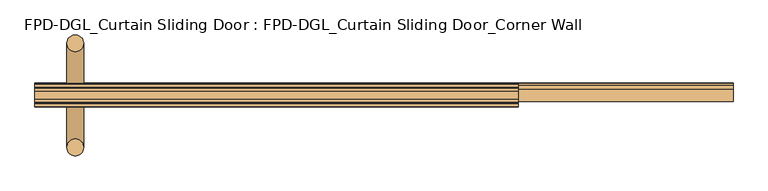
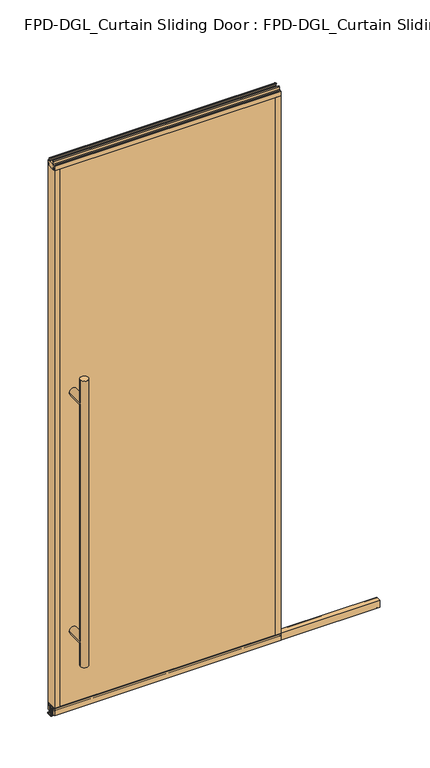
"""IFC4 building model written with IfcOpenShell, lengths in millimetres: door geometry, FPD-DGL_Curtain Sliding Door : FPD-DGL_Curtain Sliding Door_Corner Wall."""

import ifcopenshell
import ifcopenshell.guid

model = None  # the IFC model being written
_history = None  # IfcOwnerHistory: only IFC2X3 demands one
_inside = {}  # id of a spatial element -> (the spatial element, [elements in it])
_under = {}  # id of a project, library or spatial element -> (it, [spatial elements below it])
_declared = {}  # id of a project -> (the project, [libraries it declares])
_typed = {}  # id of a type object -> (the type object, [elements of that type])
_made_of = {}  # id of a material, layer set ... -> (it, [elements and type objects made of it])


def new_model(schema):
    """Start an empty IFC model of exactly this schema.

    Asked for "IFC4X3", IfcOpenShell would pick the latest addendum, in which some entities
    have other attributes; the version numbers below select the first issue.
    IFC2X3 requires an IfcOwnerHistory on every rooted entity: one is made here for all.
    """
    global model, _history
    if schema == "IFC4X3":
        model = ifcopenshell.file(schema_version=(4, 3, 0, 0))
    else:
        model = ifcopenshell.file(schema=schema)
    _inside.clear()
    _under.clear()
    _declared.clear()
    _typed.clear()
    _made_of.clear()
    _history = None
    if model.schema == "IFC2X3":
        org = make("IfcOrganization", Name="unknown")
        user = make(
            "IfcPersonAndOrganization",
            ThePerson=make("IfcPerson", FamilyName="unknown"),
            TheOrganization=org,
        )
        app = make(
            "IfcApplication",
            ApplicationDeveloper=org,
            Version="unknown",
            ApplicationFullName="unknown",
            ApplicationIdentifier="unknown",
        )
        _history = make(
            "IfcOwnerHistory",
            OwningUser=user,
            OwningApplication=app,
            ChangeAction="ADDED",
            CreationDate=0,
        )
    return model


def make(cls, **values):
    """One entity of the class cls with the attributes given. An attribute that is None is left unset."""
    return model.create_entity(
        cls, **{name: value for name, value in values.items() if value is not None}
    )


def rooted(cls, **values):
    """An entity with a GlobalId (a new one), such as an element, a storey or a relation."""
    return make(cls, GlobalId=ifcopenshell.guid.new(), OwnerHistory=_history, **values)


def si_unit(unit_type, name, prefix=None):
    """IfcSIUnit, for example si_unit("LENGTHUNIT", "METRE", prefix="MILLI")."""
    return make("IfcSIUnit", UnitType=unit_type, Prefix=prefix, Name=name)


def assignment(units):
    """IfcUnitAssignment: the units of a project."""
    return None if units is None else make("IfcUnitAssignment", Units=units)


def point(xyz):
    """IfcCartesianPoint."""
    return None if xyz is None else make("IfcCartesianPoint", Coordinates=xyz)


def direction(xyz):
    """IfcDirection."""
    return None if xyz is None else make("IfcDirection", DirectionRatios=xyz)


def frame(location, z_axis=None, x_axis=None):
    """IfcAxis2Placement3D, a coordinate frame: its origin and axes. An axis left out is left unset."""
    return make(
        "IfcAxis2Placement3D",
        Location=point(location),
        Axis=direction(z_axis),
        RefDirection=direction(x_axis),
    )


def frame_2d(location, x_axis=None):
    """IfcAxis2Placement2D, a coordinate frame in the plane: its origin and x axis."""
    return make(
        "IfcAxis2Placement2D", Location=point(location), RefDirection=direction(x_axis)
    )


def origin():
    """The frame at (0, 0, 0) with its axes left unset."""
    return frame((0.0, 0.0, 0.0))


def place(relative_to, where):
    """IfcLocalPlacement: puts the frame where relative to a parent placement (None: the world)."""
    return make(
        "IfcLocalPlacement", PlacementRelTo=relative_to, RelativePlacement=where
    )


def context(
    kind, dimensions, precision=None, world=None, true_north=None, identifier=None
):
    """IfcGeometricRepresentationContext, for example the 3D "Model" context."""
    return make(
        "IfcGeometricRepresentationContext",
        ContextIdentifier=identifier,
        ContextType=kind,
        CoordinateSpaceDimension=dimensions,
        Precision=precision,
        WorldCoordinateSystem=world,
        TrueNorth=true_north,
    )


def project(units=None, contexts=None):
    """IfcProject with its units and contexts."""
    return rooted(
        "IfcProject",
        Name="project",
        RepresentationContexts=contexts,
        UnitsInContext=assignment(units),
    )


def spatial(cls, under=None, at=None, **own):
    """A site, building, storey or space (cls), placed at a placement, below another one or the project."""
    s = rooted(cls, ObjectPlacement=at, **own)
    if under is not None:
        _under.setdefault(under.id(), (under, []))[1].append(s)
    return s


def polyline(points):
    """IfcPolyline through the points."""
    return make("IfcPolyline", Points=[point(p) for p in points])


def circle_curve(where, radius):
    """IfcCircle in the frame where."""
    return make("IfcCircle", Position=where, Radius=radius)


def ellipse_curve(where, semi_axis1, semi_axis2):
    """IfcEllipse in the frame where."""
    return make(
        "IfcEllipse", Position=where, SemiAxis1=semi_axis1, SemiAxis2=semi_axis2
    )


def trimmed(basis, trim1, trim2, sense, master):
    """IfcTrimmedCurve: the piece of a basis curve between two trims."""
    return make(
        "IfcTrimmedCurve",
        BasisCurve=basis,
        Trim1=trim1,
        Trim2=trim2,
        SenseAgreement=sense,
        MasterRepresentation=master,
    )


def segment(curve, same_sense, transition):
    """IfcCompositeCurveSegment."""
    return make(
        "IfcCompositeCurveSegment",
        Transition=transition,
        SameSense=same_sense,
        ParentCurve=curve,
    )


def composite_curve(segments, self_intersect=None):
    """IfcCompositeCurve: segments joined end to end."""
    return make("IfcCompositeCurve", Segments=segments, SelfIntersect=self_intersect)


def outline(outer, holes=None, kind="AREA"):
    """IfcArbitraryClosedProfileDef: a profile drawn as a closed curve; with holes, ...WithVoids."""
    if holes is None:
        return make("IfcArbitraryClosedProfileDef", ProfileType=kind, OuterCurve=outer)
    return make(
        "IfcArbitraryProfileDefWithVoids",
        ProfileType=kind,
        OuterCurve=outer,
        InnerCurves=holes,
    )


def extrude(swept, where, along, depth):
    """IfcExtrudedAreaSolid: the profile swept, set in the frame where, extruded along a direction by depth."""
    return make(
        "IfcExtrudedAreaSolid",
        SweptArea=swept,
        Position=where,
        ExtrudedDirection=direction(along),
        Depth=depth,
    )


def shape(context_of_items, identifier, shape_type, items):
    """IfcShapeRepresentation: the items that make up one representation, for example the "Body"."""
    return make(
        "IfcShapeRepresentation",
        ContextOfItems=context_of_items,
        RepresentationIdentifier=identifier,
        RepresentationType=shape_type,
        Items=items,
    )


def source(mapping_origin, context_of_items, identifier, shape_type, items):
    """IfcRepresentationMap: a shape defined once, which mapped items show again and again."""
    return make(
        "IfcRepresentationMap",
        MappingOrigin=mapping_origin,
        MappedRepresentation=shape(context_of_items, identifier, shape_type, items),
    )


def transform(
    local_origin,
    x_axis=None,
    y_axis=None,
    z_axis=None,
    scale=None,
    scale2=None,
    scale3=None,
    uniform=True,
):
    """IfcCartesianTransformationOperator3D, or its non-uniform kind. x_axis, y_axis, z_axis: its Axis1, 2, 3."""
    if uniform:
        return make(
            "IfcCartesianTransformationOperator3D",
            Axis1=direction(x_axis),
            Axis2=direction(y_axis),
            LocalOrigin=point(local_origin),
            Scale=scale,
            Axis3=direction(z_axis),
        )
    return make(
        "IfcCartesianTransformationOperator3DnonUniform",
        Axis1=direction(x_axis),
        Axis2=direction(y_axis),
        LocalOrigin=point(local_origin),
        Scale=scale,
        Axis3=direction(z_axis),
        Scale2=scale2,
        Scale3=scale3,
    )


def mapped(mapping_source, mapping_target):
    """IfcMappedItem: shows the shape of a source again, moved by a transform."""
    return make(
        "IfcMappedItem", MappingSource=mapping_source, MappingTarget=mapping_target
    )


def made_of(thing, what):
    """Note that an element or type object is made of a material, layer set ...; save() writes the relation."""
    if what is not None:
        _made_of.setdefault(what.id(), (what, []))[1].append(thing)
    return thing


def element(
    cls,
    number,
    at=None,
    inside=None,
    cuts=None,
    type_object=None,
    material=None,
    context=None,
    identifier="Body",
    shape_type=None,
    held_by="IfcProductDefinitionShape",
    body=None,
    shapes=None,
    **own,
):
    """One element of the class cls, such as IfcWall. Its Tag is "e" and its number.

    at: its placement. inside: the storey or other place that contains it. cuts: it is an
    opening in that element (IfcRelVoidsElement). A single representation is given by context,
    identifier, shape_type and body (its items); several are given by shapes. held_by: the class
    of the entity that holds the representations. save() writes the other relations.
    """
    e = rooted(cls, Tag="e%d" % number, ObjectPlacement=at, **own)
    if body is not None:
        shapes = [shape(context, identifier, shape_type, body)]
    if shapes is not None:
        e.Representation = make(held_by, Representations=shapes)
    if inside is not None:
        _inside.setdefault(inside.id(), (inside, []))[1].append(e)
    if cuts is not None:
        rooted(
            "IfcRelVoidsElement", RelatingBuildingElement=cuts, RelatedOpeningElement=e
        )
    if type_object is not None:
        _typed.setdefault(type_object.id(), (type_object, []))[1].append(e)
    return made_of(e, material)


def aggregate(whole, parts):
    """IfcRelAggregates: a whole, such as a stair, and the parts it consists of."""
    return rooted("IfcRelAggregates", RelatingObject=whole, RelatedObjects=parts)


def save(model, path):
    """Write the relations noted so far, then the file.

    IfcRelAggregates (storeys below a building ...), IfcRelContainedInSpatialStructure (elements
    in a storey), IfcRelDefinesByType, IfcRelAssociatesMaterial and IfcRelDeclares: one each for
    every whole, place, type object, material and project.
    """
    for whole, parts in _under.values():
        aggregate(whole, parts)
    for where, things in _inside.values():
        rooted(
            "IfcRelContainedInSpatialStructure",
            RelatedElements=things,
            RelatingStructure=where,
        )
    for kind, things in _typed.values():
        rooted("IfcRelDefinesByType", RelatedObjects=things, RelatingType=kind)
    for what, things in _made_of.values():
        rooted("IfcRelAssociatesMaterial", RelatedObjects=things, RelatingMaterial=what)
    for by, libraries in _declared.values():
        rooted("IfcRelDeclares", RelatingContext=by, RelatedDefinitions=libraries)
    model.write(path)


def plane_surface(at):
    """IfcPlane: the flat surface through the origin of the frame at, square to its z axis."""
    return make("IfcPlane", Position=at)


def cylinder_surface(at, radius):
    """IfcCylindricalSurface: all points at the distance radius from the z axis of the frame at."""
    return make("IfcCylindricalSurface", Position=at, Radius=radius)


def advanced_brep(points, edges, surfaces, faces):
    """IfcAdvancedBrep: a solid bounded by faces that lie on surfaces and meet in shared edges.

    An edge is (start, end): straight between two places in points (the first is 0);
    or (start, end, curve); or (start, end, curve, False) where it runs against its curve.
    A face is (place in surfaces, loops), or (place, loops, False) where it looks against
    its surface's normal. A loop lists edges by number (the first is 1), with a minus sign
    where the edge is run from its end to its start. The first loop is the outer one.
    """
    corners = [point(p) for p in points]
    vertices = [make("IfcVertexPoint", VertexGeometry=c) for c in corners]
    made = []
    for start, end, *more in edges:
        made.append(
            make(
                "IfcEdgeCurve",
                EdgeStart=vertices[start],
                EdgeEnd=vertices[end],
                EdgeGeometry=more[0] if more else make("IfcPolyline", Points=[corners[start], corners[end]]),
                SameSense=more[1] if len(more) > 1 else True,
            )
        )
    hull = []
    for where, loops, *sense in faces:
        bounds = []
        for j, loop in enumerate(loops):
            ring = [make("IfcOrientedEdge", EdgeElement=made[abs(k) - 1], Orientation=k > 0) for k in loop]
            bounds.append(
                make(
                    "IfcFaceOuterBound" if j == 0 else "IfcFaceBound",
                    Bound=make("IfcEdgeLoop", EdgeList=ring),
                    Orientation=True,
                )
            )
        hull.append(make("IfcAdvancedFace", Bounds=bounds, FaceSurface=surfaces[where], SameSense=sense[0] if sense else True))
    return make("IfcAdvancedBrep", Outer=make("IfcClosedShell", CfsFaces=hull))


def fpd_dgl_curtain_sliding_door_fpd_dgl_curtain_sliding_door_6695d45b(model_context):
    return source(origin(), model_context, "Body", "SolidModel", [
        advanced_brep(
        [(-364.33125, 28.778049, 1473.2), (-396.08125, 28.778049, 1473.2), (-364.33125, -168.4469566, 1473.2), (-396.08125, -168.4469566, 1473.2), (-364.33125, 28.778049, 254.0), (-396.08125, 28.778049, 254.0), (-364.33125, -168.4469566, 254.0), (-396.08125, -168.4469566, 254.0), (-364.33125, 28.778049, 355.6), (-396.08125, 28.778049, 355.6), (-364.33125, 28.778049, 1371.6), (-396.08125, 28.778049, 1371.6), (-396.08125, -168.4469566, 1371.6), (-396.08125, -168.4469566, 355.6), (-364.33125, -168.4469566, 355.6), (-364.33125, -168.4469566, 1371.6)],
        [
            (0, 1, circle_curve(frame((-380.20625, 28.778049, 1473.2), z_axis=(0.0, 0.0, 1.0), x_axis=(-1.0, 0.0, 0.0)), 15.875)),
            (1, 0, circle_curve(frame((-380.20625, 28.778049, 1473.2), z_axis=(0.0, 0.0, 1.0), x_axis=(-1.0, 0.0, 0.0)), 15.875)),
            (2, 3, circle_curve(frame((-380.20625, -168.4469566, 1473.2), z_axis=(0.0, 0.0, 1.0), x_axis=(-1.0, 0.0, 0.0)), 15.875)),
            (3, 2, circle_curve(frame((-380.20625, -168.4469566, 1473.2), z_axis=(0.0, 0.0, 1.0), x_axis=(-1.0, 0.0, 0.0)), 15.875)),
            (4, 5, circle_curve(frame((-380.20625, 28.778049, 254.0), z_axis=(0.0, 0.0, -1.0), x_axis=(-1.0, 0.0, 0.0)), 15.875)),
            (5, 4, circle_curve(frame((-380.20625, 28.778049, 254.0), z_axis=(0.0, 0.0, -1.0), x_axis=(-1.0, 0.0, 0.0)), 15.875)),
            (6, 7, circle_curve(frame((-380.20625, -168.4469566, 254.0), z_axis=(0.0, 0.0, -1.0), x_axis=(-1.0, 0.0, 0.0)), 15.875)),
            (7, 6, circle_curve(frame((-380.20625, -168.4469566, 254.0), z_axis=(0.0, 0.0, -1.0), x_axis=(-1.0, 0.0, 0.0)), 15.875)),
            (4, 8),
            (8, 9, ellipse_curve(frame((-380.20625, 28.778049, 355.6), z_axis=(0.0, 0.7071067811865525, -0.7071067811865427), x_axis=(0.0, 0.7071067811865427, 0.7071067811865523)), 22.4506403, 15.875)),
            (9, 5),
            (10, 11, ellipse_curve(frame((-380.20625, 28.778049, 1371.6), z_axis=(0.0, 0.7071067811865427, -0.7071067811865525), x_axis=(0.0, 0.7071067811865525, 0.7071067811865425)), 22.4506403, 15.875)),
            (11, 9),
            (9, 8, ellipse_curve(frame((-380.20625, 28.778049, 355.6), z_axis=(0.0, 0.7071067811865427, 0.7071067811865525), x_axis=(0.0, -0.7071067811865525, 0.7071067811865425)), 22.4506403, 15.875)),
            (8, 10),
            (1, 11),
            (11, 10, ellipse_curve(frame((-380.20625, 28.778049, 1371.6), z_axis=(0.0, 0.7071067811865525, 0.7071067811865427), x_axis=(0.0, -0.7071067811865427, 0.7071067811865523)), 22.4506403, 15.875)),
            (10, 0),
            (3, 12),
            (12, 13),
            (13, 7),
            (6, 14),
            (14, 15),
            (15, 2),
            (15, 12, ellipse_curve(frame((-380.20625, -168.4469566, 1371.6), z_axis=(0.0, -0.7071067811865427, 0.7071067811865525), x_axis=(0.0, 0.7071067811865525, 0.7071067811865425)), 22.4506403, 15.875)),
            (13, 14, ellipse_curve(frame((-380.20625, -168.4469566, 355.6), z_axis=(0.0, -0.7071067811865427, -0.7071067811865525), x_axis=(0.0, -0.7071067811865525, 0.7071067811865425)), 22.4506403, 15.875)),
            (14, 13, ellipse_curve(frame((-380.20625, -168.4469566, 355.6), z_axis=(0.0, -0.7071067811865525, 0.7071067811865427), x_axis=(0.0, 0.7071067811865427, 0.7071067811865523)), 22.4506403, 15.875)),
            (12, 15, ellipse_curve(frame((-380.20625, -168.4469566, 1371.6), z_axis=(0.0, -0.7071067811865525, -0.7071067811865427), x_axis=(0.0, -0.7071067811865427, 0.7071067811865523)), 22.4506403, 15.875)),
            (10, 15),
            (12, 11),
            (8, 14),
            (13, 9),
        ],
        [
            plane_surface(frame((-281.0988493, -69.85, 1473.2), z_axis=(0.0, 0.0, 1.0), x_axis=(0.0, 1.0, 0.0))),
            plane_surface(frame((-281.0988493, -69.85, 254.0), z_axis=(0.0, 0.0, -1.0), x_axis=(0.0, 1.0, 0.0))),
            cylinder_surface(frame((-380.20625, 28.778049, 1473.2), z_axis=(0.0, 0.0, 1.0), x_axis=(-1.0, 0.0, 0.0)), 15.875),
            cylinder_surface(frame((-380.20625, -168.4469566, 1473.2), z_axis=(0.0, 0.0, 1.0), x_axis=(-1.0, 0.0, 0.0)), 15.875),
            cylinder_surface(frame((-380.20625, -168.4469566, 1371.6), z_axis=(0.0, 1.0, 0.0), x_axis=(1.0, 0.0, 0.0)), 15.875),
            cylinder_surface(frame((-380.20625, -69.85, 355.6), z_axis=(0.0, 1.0, 0.0), x_axis=(1.0, 0.0, 0.0)), 15.875),
        ],
        [
            (0, [[1, 2]]),
            (0, [[3, 4]]),
            (1, [[5, 6]]),
            (1, [[7, 8]]),
            (2, [[9, 10, 11, -5]]),
            (2, [[12, 13, 14, 15]]),
            (2, [[16, 17, 18, -2]]),
            (2, [[-18, -15, -9, -6, -11, -13, -16, -1]]),
            (3, [[19, 20, 21, -7, 22, 23, 24, -4]]),
            (3, [[-24, 25, -19, -3]]),
            (3, [[-21, 26, -22, -8]]),
            (3, [[27, -20, 28, -23]]),
            (4, [[-12, 29, -28, 30]]),
            (4, [[-25, -29, -17, -30]]),
            (5, [[-10, 31, -26, 32]]),
            (5, [[-27, -31, -14, -32]]),
        ],
    ),
        extrude(outline(composite_curve([segment(polyline([(-66.0369794, 1.1714386), (-66.0369794, 4.0416386)]), True, "CONTINUOUS"), segment(trimmed(circle_curve(frame_2d((-64.8685794, 4.0416386)), 1.1684), [point((-66.0369794, 4.0416386))], [point((-65.2836188, 5.1338386))], False, "CARTESIAN"), True, "CONTINUOUS"), segment(polyline([(-65.2836188, 5.1338386), (-62.5762294, 5.1338386), (-62.5762294, 4.3138948), (-65.2622794, 4.3138948), (-65.2622794, 0.7650387), (-46.7837797, 0.7650387), (-46.7837797, 4.4232339), (-49.7788569, 4.4232339), (-49.7788569, 5.2100386), (-47.1901797, 5.2100386)]), True, "CONTINUOUS"), segment(trimmed(circle_curve(frame_2d((-47.1901797, 4.0416386)), 1.1684), [point((-47.1901797, 5.2100386))], [point((-46.0217797, 4.0416386))], False, "CARTESIAN"), True, "CONTINUOUS"), segment(polyline([(-46.0217797, 4.0416386), (-46.0217797, 1.1714386)]), True, "CONTINUOUS"), segment(trimmed(circle_curve(frame_2d((-47.1901797, 1.1714386)), 1.1684), [point((-46.0217797, 1.1714386))], [point((-47.1901797, 0.0030387))], False, "CARTESIAN"), True, "CONTINUOUS"), segment(polyline([(-47.1901797, 0.0030387), (-64.8685794, 0.0030387)]), True, "CONTINUOUS"), segment(trimmed(circle_curve(frame_2d((-64.8685794, 1.1714386)), 1.1684), [point((-64.8685794, 0.0030387))], [point((-66.0369794, 1.1714386))], False, "CARTESIAN"), True, "CONTINUOUS")], self_intersect=False)), frame((-456.40625, 0.0, 0.0), z_axis=(1.0, 0.0, 0.0), x_axis=(0.0, 1.0, 0.0)), (0.0, 0.0, 1.0), 1319.2125),
        extrude(outline(composite_curve([segment(polyline([(-80.8146139, 41.6030387), (-58.9146141, 41.6030387), (-58.9146141, 11.6839647), (-60.414702, 11.6839647), (-60.414702, 39.1709995)]), True, "CONTINUOUS"), segment(trimmed(circle_curve(frame_2d((-61.3469627, 39.1709995)), 0.9322606), [point((-60.414702, 39.1709995))], [point((-61.3469627, 40.1032601))], True, "CARTESIAN"), True, "CONTINUOUS"), segment(polyline([(-61.3469627, 40.1032601), (-66.4357402, 40.1032601)]), True, "CONTINUOUS"), segment(trimmed(circle_curve(frame_2d((-66.4357402, 39.1243868)), 0.9788733), [point((-66.4357402, 40.1032601))], [point((-67.4146135, 39.1243868))], True, "CARTESIAN"), True, "CONTINUOUS"), segment(polyline([(-67.4146135, 39.1243868), (-67.4146135, 11.6839647), (-69.0146138, 11.6839647), (-69.0146138, 33.5017657), (-70.4044462, 33.5017657), (-70.4044462, 34.3040626), (-69.0146138, 34.3040626), (-69.0146138, 35.6040627), (-79.8146139, 35.6040627), (-79.8146139, 34.3040626), (-78.4247815, 34.3040626), (-78.4247815, 33.5017657), (-79.8146139, 33.5017657), (-79.8146139, 11.6839647), (-80.8146139, 11.6839647), (-80.8146139, 41.6030387)]), True, "CONTINUOUS")], self_intersect=False)), frame((-456.40625, 0.0, 0.0), z_axis=(1.0, 0.0, 0.0), x_axis=(0.0, 1.0, 0.0)), (0.0, 0.0, 1.0), 1319.2125),
        extrude(outline(composite_curve([segment(polyline([(-55.5258097, 48.6471016), (-55.5258097, 47.6299627), (-56.8928229, 47.6299627), (-56.8928229, 41.3613764)]), True, "CONTINUOUS"), segment(trimmed(circle_curve(frame_2d((-54.577348, 41.3613764)), 2.3154748), [point((-56.8928229, 41.3613764))], [point((-54.577348, 39.0459016))], True, "CARTESIAN"), True, "CONTINUOUS"), segment(polyline([(-54.577348, 39.0459016), (-49.5896246, 39.0522555)]), True, "CONTINUOUS"), segment(trimmed(circle_curve(frame_2d((-49.687823, 39.8079016)), 0.762), [point((-49.5896246, 39.0522555))], [point((-48.925823, 39.8079016))], True, "CARTESIAN"), True, "CONTINUOUS"), segment(polyline([(-48.925823, 39.8079016), (-48.925823, 48.6471016), (-47.6258255, 48.6471016), (-47.6258255, 19.0059017), (-56.7472378, 19.0059017), (-56.7472378, 15.875), (-58.6515279, 15.875), (-58.6515279, 47.0470737), (-81.0484721, 47.0470737), (-81.0484721, 15.875), (-82.9527622, 15.875), (-82.9527622, 19.0059017), (-92.0741745, 19.0059017), (-92.0741745, 48.6471016), (-90.774177, 48.6471016), (-90.774177, 39.8079016)]), True, "CONTINUOUS"), segment(trimmed(circle_curve(frame_2d((-90.012177, 39.8079016)), 0.762), [point((-90.774177, 39.8079016))], [point((-90.1103754, 39.0522555))], True, "CARTESIAN"), True, "CONTINUOUS"), segment(polyline([(-90.1103754, 39.0522555), (-85.122652, 39.0459016)]), True, "CONTINUOUS"), segment(trimmed(circle_curve(frame_2d((-85.122652, 41.3613764)), 2.3154748), [point((-85.122652, 39.0459016))], [point((-82.8071771, 41.3613764))], True, "CARTESIAN"), True, "CONTINUOUS"), segment(polyline([(-82.8071771, 41.3613764), (-82.8071771, 47.6299627), (-84.1741903, 47.6299627), (-84.1741903, 48.6471016), (-55.5258097, 48.6471016)]), True, "CONTINUOUS")], self_intersect=False)), frame((-456.40625, 0.0, 0.0), z_axis=(1.0, 0.0, 0.0), x_axis=(0.0, 1.0, 0.0)), (0.0, 0.0, 1.0), 912.8125),
        extrude(outline(composite_curve([segment(polyline([(-61.4500175, 2373.482105), (-56.4453412, 2373.482105)]), True, "CONTINUOUS"), segment(trimmed(circle_curve(frame_2d((-56.4453412, 2372.8867925)), 0.5953125), [point((-56.4453412, 2373.482105))], [point((-55.8500287, 2372.8867925))], False, "CARTESIAN"), True, "CONTINUOUS"), segment(polyline([(-55.8500287, 2372.8867925), (-55.8500287, 2361.518791)]), True, "CONTINUOUS"), segment(trimmed(circle_curve(frame_2d((-53.9309248, 2361.518791)), 1.919104), [point((-55.8500287, 2361.518791))], [point((-53.9309248, 2359.599687))], True, "CARTESIAN"), True, "CONTINUOUS"), segment(polyline([(-53.9309248, 2359.599687), (-48.4250432, 2359.599687)]), True, "CONTINUOUS"), segment(trimmed(circle_curve(frame_2d((-48.4250432, 2358.7996885)), 0.7999985), [point((-48.4250432, 2359.599687))], [point((-47.6250446, 2358.7996885))], False, "CARTESIAN"), True, "CONTINUOUS"), segment(polyline([(-47.6250446, 2358.7996885), (-47.6250446, 2339.914687), (-48.9250423, 2339.914687), (-48.9250423, 2350.014667)]), True, "CONTINUOUS"), segment(trimmed(circle_curve(frame_2d((-49.4250413, 2350.014667)), 0.499999), [point((-48.9250423, 2350.014667))], [point((-49.4250413, 2350.514666))], True, "CARTESIAN"), True, "CONTINUOUS"), segment(polyline([(-49.4250413, 2350.514666), (-55.5250289, 2350.514666), (-55.5250289, 2339.914687), (-84.1749714, 2339.914687), (-84.1749714, 2350.514666), (-90.2749587, 2350.514666)]), True, "CONTINUOUS"), segment(trimmed(circle_curve(frame_2d((-90.2749587, 2350.014667)), 0.499999), [point((-90.2749587, 2350.514666))], [point((-90.7749577, 2350.014667))], True, "CARTESIAN"), True, "CONTINUOUS"), segment(polyline([(-90.7749577, 2350.014667), (-90.7749577, 2339.914687), (-92.0749551, 2339.914687), (-92.0749551, 2358.7996885)]), True, "CONTINUOUS"), segment(trimmed(circle_curve(frame_2d((-91.2749567, 2358.7996885)), 0.7999984), [point((-92.0749551, 2358.7996885))], [point((-91.2749567, 2359.5996869))], False, "CARTESIAN"), True, "CONTINUOUS"), segment(polyline([(-91.2749567, 2359.5996869), (-85.7690752, 2359.5996869)]), True, "CONTINUOUS"), segment(trimmed(circle_curve(frame_2d((-85.7690752, 2361.5187908)), 1.919104), [point((-85.7690752, 2359.5996869))], [point((-83.8499713, 2361.5187908))], True, "CARTESIAN"), True, "CONTINUOUS"), segment(polyline([(-83.8499713, 2361.5187908), (-83.8499713, 2372.8867925)]), True, "CONTINUOUS"), segment(trimmed(circle_curve(frame_2d((-83.2546588, 2372.8867925)), 0.5953125), [point((-83.8499713, 2372.8867925))], [point((-83.2546588, 2373.482105))], False, "CARTESIAN"), True, "CONTINUOUS"), segment(polyline([(-83.2546588, 2373.482105), (-78.2499825, 2373.482105), (-78.2499825, 2371.482109), (-81.8499752, 2371.482109), (-81.8499752, 2362.982126)]), True, "CONTINUOUS"), segment(trimmed(circle_curve(frame_2d((-81.3499762, 2362.982126)), 0.499999), [point((-81.8499752, 2362.982126))], [point((-81.3499762, 2362.482127))], True, "CARTESIAN"), True, "CONTINUOUS"), segment(polyline([(-81.3499762, 2362.482127), (-58.3500238, 2362.482127)]), True, "CONTINUOUS"), segment(trimmed(circle_curve(frame_2d((-58.3500238, 2362.982126)), 0.499999), [point((-58.3500238, 2362.482127))], [point((-57.8500248, 2362.982126))], True, "CARTESIAN"), True, "CONTINUOUS"), segment(polyline([(-57.8500248, 2362.982126), (-57.8500248, 2371.482109), (-61.4500175, 2371.482109), (-61.4500175, 2373.482105)]), True, "CONTINUOUS")], self_intersect=False)), frame((-456.40625, 0.0, 0.0), z_axis=(1.0, 0.0, 0.0), x_axis=(0.0, 1.0, 0.0)), (0.0, 0.0, 1.0), 912.8125),
        extrude(outline(polyline([(446.4694011, -90.7765993), (-446.4694011, -90.7765993), (-446.4694011, -84.175), (446.4694011, -84.175), (446.4694011, -90.7765993)])), frame((0.0, 0.0, 39.1580021), z_axis=(0.0, 0.0, 1.0), x_axis=(1.0, 0.0, 0.0)), (0.0, 0.0, 1.0), 2311.0901216),
        extrude(outline(polyline([(-446.4694011, -55.525), (-446.4694011, -48.9234007), (446.4694011, -48.9234007), (446.4694011, -55.525), (-446.4694011, -55.525)])), frame((0.0, 0.0, 39.1580021), z_axis=(0.0, 0.0, 1.0), x_axis=(1.0, 0.0, 0.0)), (0.0, 0.0, 1.0), 2311.0901216),
        extrude(outline(composite_curve([segment(polyline([(-456.40625, -92.075), (-456.40625, -47.625), (-435.8694011, -47.625), (-435.8694011, -48.9234), (-445.9402074, -48.9234)]), True, "CONTINUOUS"), segment(trimmed(circle_curve(frame_2d((-445.9402074, -49.4525937)), 0.5291937), [point((-445.9402074, -48.9234))], [point((-446.4694011, -49.4525937))], True, "CARTESIAN"), True, "CONTINUOUS"), segment(polyline([(-446.4694011, -49.4525937), (-446.4694011, -51.4096), (-447.6694009, -51.4096), (-447.6694009, -48.9298), (-454.6028499, -48.9298), (-454.6028499, -60.604802), (-447.6694009, -60.604802), (-447.6694009, -55.525), (-435.8694011, -55.525), (-435.8694011, -84.175), (-447.6694009, -84.175), (-447.6694009, -79.095198), (-454.6028499, -79.095198), (-454.6028499, -90.7702), (-447.6694009, -90.7702), (-447.6694009, -88.2904), (-446.4694011, -88.2904), (-446.4694011, -90.2685993)]), True, "CONTINUOUS"), segment(trimmed(circle_curve(frame_2d((-445.9614011, -90.2685993)), 0.508), [point((-446.4694011, -90.2685993))], [point((-445.9614011, -90.7765993))], True, "CARTESIAN"), True, "CONTINUOUS"), segment(polyline([(-445.9614011, -90.7765993), (-435.8694011, -90.7765993), (-435.8694011, -92.075), (-456.40625, -92.075)]), True, "CONTINUOUS")], self_intersect=False)), frame((0.0, 0.0, 48.6471016), z_axis=(0.0, 0.0, 1.0), x_axis=(1.0, 0.0, 0.0)), (0.0, 0.0, 1.0), 2291.2675854),
        extrude(outline(composite_curve([segment(polyline([(456.40625, -92.075), (435.8694011, -92.075), (435.8694011, -90.7765993), (445.9614011, -90.7765993)]), True, "CONTINUOUS"), segment(trimmed(circle_curve(frame_2d((445.9614011, -90.2685993)), 0.508), [point((445.9614011, -90.7765993))], [point((446.4694011, -90.2685993))], True, "CARTESIAN"), True, "CONTINUOUS"), segment(polyline([(446.4694011, -90.2685993), (446.4694011, -88.2904), (447.6694009, -88.2904), (447.6694009, -90.7702), (454.6028499, -90.7702), (454.6028499, -79.095198), (447.6694009, -79.095198), (447.6694009, -84.175), (435.8694011, -84.175), (435.8694011, -55.525), (447.6694009, -55.525), (447.6694009, -60.604802), (454.6028499, -60.604802), (454.6028499, -48.9298), (447.6694009, -48.9298), (447.6694009, -51.4096), (446.4694011, -51.4096), (446.4694011, -49.4525937)]), True, "CONTINUOUS"), segment(trimmed(circle_curve(frame_2d((445.9402074, -49.4525937)), 0.5291937), [point((446.4694011, -49.4525937))], [point((445.9402074, -48.9234))], True, "CARTESIAN"), True, "CONTINUOUS"), segment(polyline([(445.9402074, -48.9234), (435.869401, -48.9234), (435.869401, -47.625), (456.40625, -47.625), (456.40625, -92.075)]), True, "CONTINUOUS")], self_intersect=False)), frame((0.0, 0.0, 48.6471016), z_axis=(0.0, 0.0, 1.0), x_axis=(1.0, 0.0, 0.0)), (0.0, 0.0, 1.0), 2291.2675854),
    ])


if __name__ == "__main__":
    model = new_model("IFC4")
    model_context = context("Model", 3, world=origin())
    ifc_project = project(units=[si_unit("LENGTHUNIT", "METRE", prefix="MILLI")], contexts=[model_context])
    site = spatial("IfcSite", under=ifc_project)
    building = spatial("IfcBuilding", under=site)
    placement = place(None, origin())
    fpd_dgl_curtain_sliding_door_fpd_dgl_curtain_sliding_door_shape = fpd_dgl_curtain_sliding_door_fpd_dgl_curtain_sliding_door_6695d45b(model_context)
    element("IfcDoor", 1, ObjectType="FPD-DGL_Curtain Sliding Door : FPD-DGL_Curtain Sliding Door_Corner Wall", at=placement, inside=building, context=model_context, shape_type="MappedRepresentation", body=[
        mapped(fpd_dgl_curtain_sliding_door_fpd_dgl_curtain_sliding_door_shape, transform((0.0, 0.0, 0.0), x_axis=(1.0, 0.0, 0.0), y_axis=(0.0, 1.0, 0.0), z_axis=(0.0, 0.0, 1.0))),
    ])
    save(model, "model.ifc")
